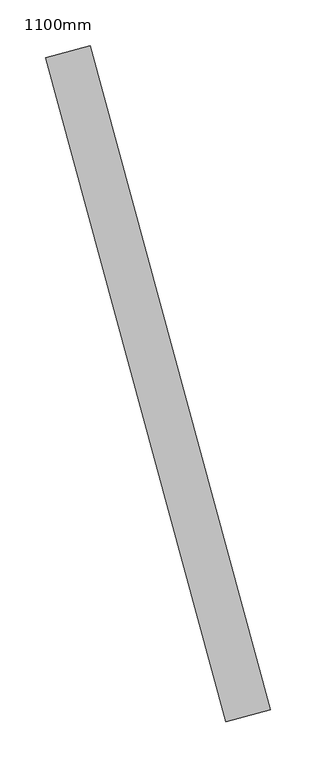
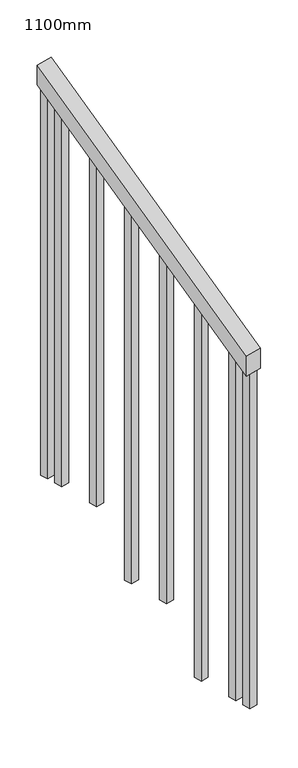
"""IFC4 building model written with IfcOpenShell, lengths in millimetres: railing geometry, 1100mm."""

from ifc_helpers import new_model, si_unit, frame, origin, place, context, project, spatial, polyline, outline, extrude, source, transform, mapped, element, save


def railing_1100mm_1677008f(model_context):
    return source(origin(), model_context, "Body", "SweptSolid", [
        extrude(outline(polyline([(-35.5555555, -50.0), (0.0, 0.0), (920.2958461, 0.0), (884.7402905, -50.0), (-35.5555555, -50.0)])), frame((136340.5962896, 66870.6712667, 1277.7777778), z_axis=(0.9649894123601837, 0.26228883703418915, 0.0), x_axis=(-0.2137536843159581, 0.7864232597554026, 0.5795237863600082)), (0.0, 0.0, 1.0), 50.0),
        extrude(outline(polyline([(1271.980277, -25.0), (108.8888889, -25.0), (91.1111112, 0.0), (1271.980277, 0.0), (1271.980277, -25.0)])), frame((136169.0564713, 67549.4424658, 1805.3136103), z_axis=(0.9649894123601837, 0.26228883703418915, 0.0), x_axis=(0.0, 0.0, -1.0)), (0.0, 0.0, 1.0), 25.0),
        extrude(outline(polyline([(1183.0913881, -25.0), (108.8888889, -25.0), (91.1111111, 0.0), (1183.0913881, 0.0), (1183.0913881, -25.0)])), frame((136201.842576, 67428.8187892, 1716.4247214), z_axis=(0.9649894123601837, 0.26228883703418915, 0.0), x_axis=(0.0, 0.0, -1.0)), (0.0, 0.0, 1.0), 25.0),
        extrude(outline(polyline([(1271.9802769, -25.0), (108.8888889, -25.0), (91.1111111, 0.0), (1271.9802769, 0.0), (1271.9802769, -25.0)])), frame((136234.6286806, 67308.1951127, 1627.5358325), z_axis=(0.9649894123601837, 0.26228883703418915, 0.0), x_axis=(0.0, 0.0, -1.0)), (0.0, 0.0, 1.0), 25.0),
        extrude(outline(polyline([(1183.091388, -25.0000001), (108.8888889, -25.0000001), (91.1111111, 0.0), (1183.091388, 0.0), (1183.091388, -25.0000001)])), frame((136267.4147852, 67187.5714362, 1538.6469436), z_axis=(0.9649894123601837, 0.26228883703418915, 0.0), x_axis=(0.0, 0.0, -1.0)), (0.0, 0.0, 1.0), 25.0),
        extrude(outline(polyline([(1271.9802769, -25.0), (108.8888889, -25.0), (91.1111111, 0.0), (1271.9802769, 0.0), (1271.9802769, -25.0)])), frame((136300.2008899, 67066.9477596, 1449.7580547), z_axis=(0.9649894123601837, 0.26228883703418915, 0.0), x_axis=(0.0, 0.0, -1.0)), (0.0, 0.0, 1.0), 25.0),
        extrude(outline(polyline([(1183.091388, -25.0), (108.8888889, -25.0), (91.1111111, 0.0), (1183.091388, 0.0), (1183.091388, -25.0)])), frame((136332.9869945, 66946.3240831, 1360.8691658), z_axis=(0.9649894123601837, 0.26228883703418915, 0.0), x_axis=(0.0, 0.0, -1.0)), (0.0, 0.0, 1.0), 25.0),
        extrude(outline(polyline([(1307.5358325, -25.0), (108.8888889, -25.0), (91.1111111, 0.0), (1307.5358325, 0.0), (1307.5358325, -25.0)])), frame((136155.9420295, 67597.6919364, 1840.8691658), z_axis=(0.9649894123601837, 0.26228883703418915, 0.0), x_axis=(0.0, 0.0, -1.0)), (0.0, 0.0, 1.0), 25.0),
        extrude(outline(polyline([(1147.5358325, -25.0000001), (108.8888889, -25.0000001), (91.1111112, 0.0), (1147.5358325, 0.0), (1147.5358325, -25.0000001)])), frame((136346.1014363, 66898.0746125, 1325.3136103), z_axis=(0.9649894123601837, 0.26228883703418915, 0.0), x_axis=(0.0, 0.0, -1.0)), (0.0, 0.0, 1.0), 25.0),
    ])


if __name__ == "__main__":
    model = new_model("IFC4")
    model_context = context("Model", 3, world=origin())
    ifc_project = project(units=[si_unit("LENGTHUNIT", "METRE", prefix="MILLI")], contexts=[model_context])
    site = spatial("IfcSite", under=ifc_project)
    building = spatial("IfcBuilding", under=site)
    placement = place(None, origin())
    railing_1100mm_shape = railing_1100mm_1677008f(model_context)
    element("IfcRailing", 1, ObjectType="1100mm", at=placement, inside=building, context=model_context, shape_type="MappedRepresentation", body=[
        mapped(railing_1100mm_shape, transform((0.0, 0.0, 0.0), x_axis=(1.0, 0.0, 0.0), y_axis=(0.0, 1.0, 0.0), z_axis=(0.0, 0.0, 1.0))),
    ])
    save(model, "model.ifc")
